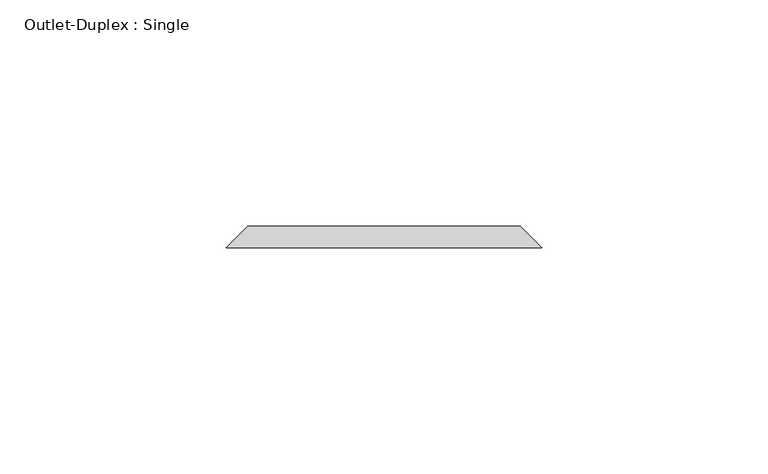
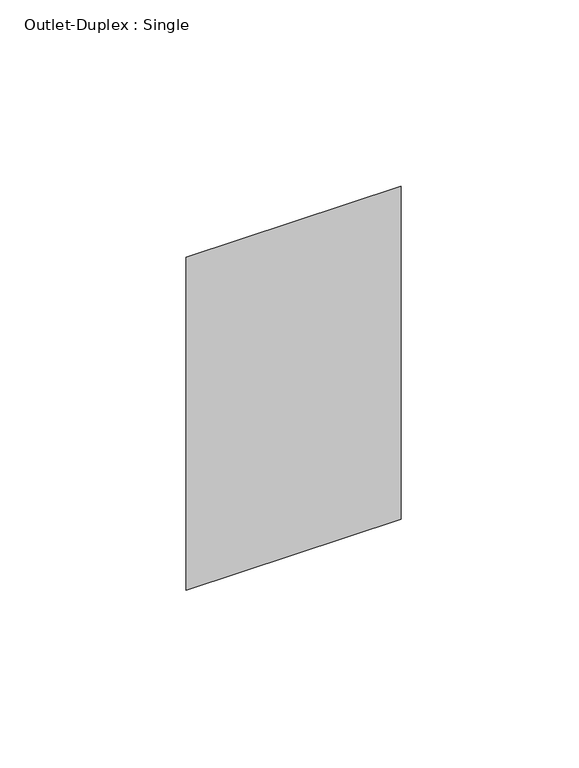
"""IFC4 building model written with IfcOpenShell, lengths in millimetres: proxy geometry, Outlet-Duplex : Single."""

from ifc_helpers import new_model, si_unit, origin, place, context, project, spatial, faceted_brep, source, transform, mapped, element, save


def outlet_duplex_single_0c199bff(model_context):
    return source(origin(), model_context, "Body", "Brep", [
        faceted_brep([(-30.1625, 90.4875, 357.1875), (30.1625, 90.4875, 357.1875), (30.1625, 90.4875, 252.4125), (-30.1625, 90.4875, 252.4125), (-34.925, 85.725, 361.95), (-34.925, 85.725, 247.65), (34.925, 85.725, 247.65), (34.925, 85.725, 361.95)], [[[0, 1, 2, 3]], [[4, 5, 6, 7]], [[4, 7, 1, 0]], [[7, 6, 2, 1]], [[6, 5, 3, 2]], [[5, 4, 0, 3]]]),
    ])


if __name__ == "__main__":
    model = new_model("IFC4")
    model_context = context("Model", 3, world=origin())
    ifc_project = project(units=[si_unit("LENGTHUNIT", "METRE", prefix="MILLI")], contexts=[model_context])
    site = spatial("IfcSite", under=ifc_project)
    building = spatial("IfcBuilding", under=site)
    placement = place(None, origin())
    outlet_duplex_single_shape = outlet_duplex_single_0c199bff(model_context)
    element("IfcBuildingElementProxy", 1, Name="Outlet-Duplex : Single", ObjectType="Outlet-Duplex : Single", at=placement, inside=building, context=model_context, shape_type="MappedRepresentation", body=[
        mapped(outlet_duplex_single_shape, transform((0.0, 0.0, 0.0), x_axis=(1.0, 0.0, 0.0), y_axis=(0.0, 1.0, 0.0), z_axis=(0.0, 0.0, 1.0))),
    ])
    save(model, "model.ifc")
